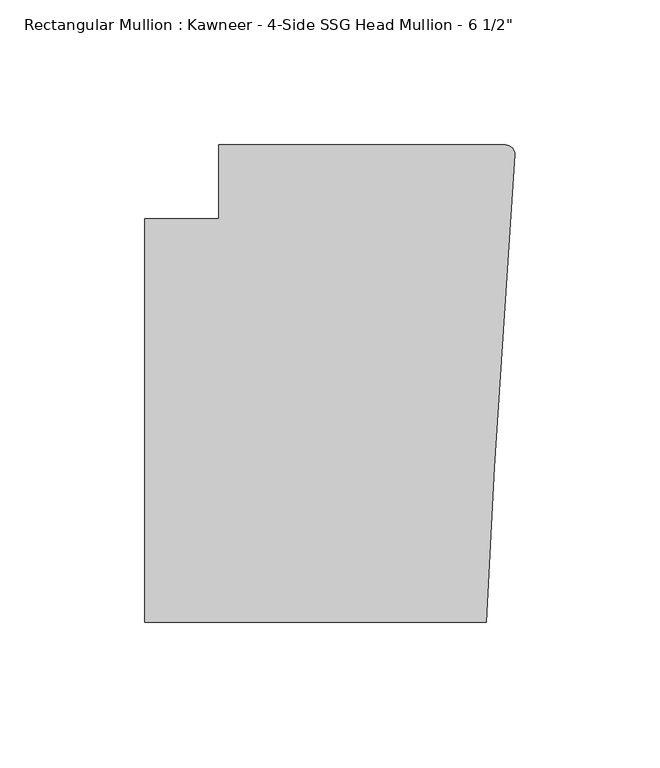
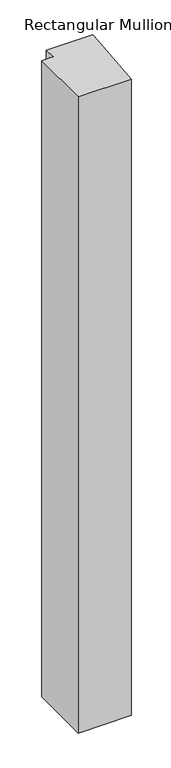
"""IFC4 building model written with IfcOpenShell, lengths in millimetres: member geometry."""

from ifc_helpers import new_model, si_unit, point, frame, frame_2d, origin, place, context, project, spatial, polyline, circle_curve, trimmed, segment, composite_curve, outline, extrude, source, transform, mapped, element, save


def member_f78e351b(model_context):
    return source(origin(), model_context, "Body", "SweptSolid", [
        extrude(outline(composite_curve([segment(polyline([(-102.08978, 12.7), (-3.175, 12.7)]), True, "CONTINUOUS"), segment(trimmed(circle_curve(frame_2d((-3.175, 9.525)), 3.175), [point((-3.175, 12.7))], [point((-0.006635, 9.3198462))], False, "CARTESIAN"), True, "CONTINUOUS"), segment(polyline([(-0.006635, 9.3198462), (-6.9873394, -98.4891117), (-9.7860662, -151.892), (-127.4896668, -151.892), (-127.4896668, -12.7), (-102.08978, -12.7), (-102.08978, 12.7)]), True, "CONTINUOUS")], self_intersect=False)), frame((0.0, 0.0, -1481.7266175), z_axis=(0.0, 0.0, 1.0), x_axis=(1.0, 0.0, 0.0)), (0.0, 0.0, 1.0), 1481.7266175),
    ])


if __name__ == "__main__":
    model = new_model("IFC4")
    model_context = context("Model", 3, world=origin())
    ifc_project = project(units=[si_unit("LENGTHUNIT", "METRE", prefix="MILLI")], contexts=[model_context])
    site = spatial("IfcSite", under=ifc_project)
    building = spatial("IfcBuilding", under=site)
    placement = place(None, origin())
    member_shape = member_f78e351b(model_context)
    element("IfcMember", 1, ObjectType="Rectangular Mullion : Kawneer - 4-Side SSG Head Mullion - 6 1/2\"", at=placement, inside=building, context=model_context, shape_type="MappedRepresentation", body=[
        mapped(member_shape, transform((0.0, 0.0, 0.0), x_axis=(1.0, 0.0, 0.0), y_axis=(0.0, 1.0, 0.0), z_axis=(0.0, 0.0, 1.0))),
    ])
    save(model, "model.ifc")
